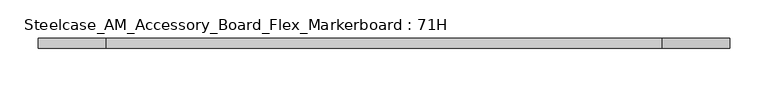
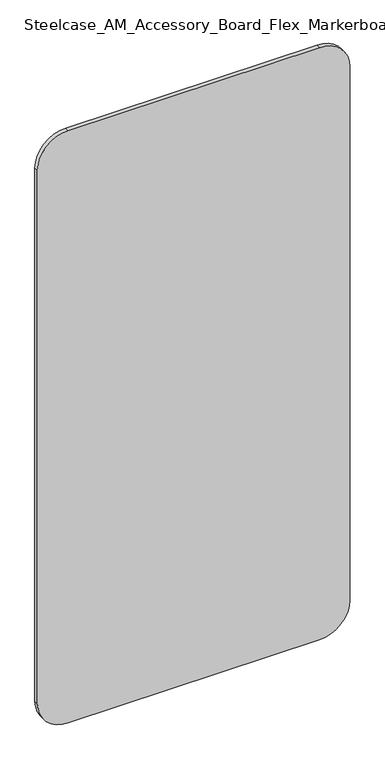
"""IFC4 building model written with IfcOpenShell, lengths in millimetres: furniture geometry, Steelcase_AM_Accessory_Board_Flex_Markerboard : 71H."""

from ifc_helpers import new_model, si_unit, point, frame, frame_2d, origin, place, context, project, spatial, polyline, circle_curve, trimmed, segment, composite_curve, outline, extrude, source, transform, mapped, element, save


def steelcase_am_accessory_board_flex_markerboard_71h_e8a6860e(model_context):
    return source(origin(), model_context, "Body", "SweptSolid", [
        extrude(outline(composite_curve([segment(polyline([(1803.4, 812.8), (1803.4, 88.9)]), True, "CONTINUOUS"), segment(trimmed(circle_curve(frame_2d((1714.5, 88.9)), 88.9), [point((1803.4, 88.9))], [point((1714.5, 0.0))], False, "CARTESIAN"), True, "CONTINUOUS"), segment(polyline([(1714.5, 0.0), (88.9, 0.0)]), True, "CONTINUOUS"), segment(trimmed(circle_curve(frame_2d((88.9, 88.9)), 88.9), [point((88.9, 0.0))], [point((0.0, 88.9))], False, "CARTESIAN"), True, "CONTINUOUS"), segment(polyline([(0.0, 88.9), (0.0, 812.8)]), True, "CONTINUOUS"), segment(trimmed(circle_curve(frame_2d((88.9, 812.8)), 88.9), [point((0.0, 812.8))], [point((88.9, 901.7))], False, "CARTESIAN"), True, "CONTINUOUS"), segment(polyline([(88.9, 901.7), (1714.5, 901.7)]), True, "CONTINUOUS"), segment(trimmed(circle_curve(frame_2d((1714.5, 812.8)), 88.9), [point((1714.5, 901.7))], [point((1803.4, 812.8))], False, "CARTESIAN"), True, "CONTINUOUS")], self_intersect=False)), frame((0.0, -12.6934822, 0.0), z_axis=(0.0, 1.0, 0.0), x_axis=(0.0, 0.0, 1.0)), (0.0, 0.0, 1.0), 12.6934822),
    ])


if __name__ == "__main__":
    model = new_model("IFC4")
    model_context = context("Model", 3, world=origin())
    ifc_project = project(units=[si_unit("LENGTHUNIT", "METRE", prefix="MILLI")], contexts=[model_context])
    site = spatial("IfcSite", under=ifc_project)
    building = spatial("IfcBuilding", under=site)
    placement = place(None, origin())
    steelcase_am_accessory_board_flex_markerboard_71h_shape = steelcase_am_accessory_board_flex_markerboard_71h_e8a6860e(model_context)
    element("IfcFurniture", 1, ObjectType="Steelcase_AM_Accessory_Board_Flex_Markerboard : 71H", at=placement, inside=building, context=model_context, shape_type="MappedRepresentation", body=[
        mapped(steelcase_am_accessory_board_flex_markerboard_71h_shape, transform((0.0, 0.0, 0.0), x_axis=(1.0, 0.0, 0.0), y_axis=(0.0, 1.0, 0.0), z_axis=(0.0, 0.0, 1.0))),
    ])
    save(model, "model.ifc")
